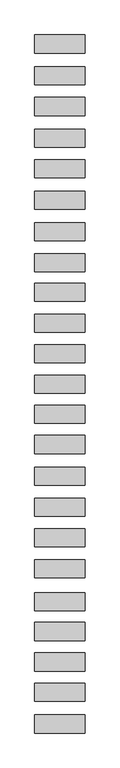
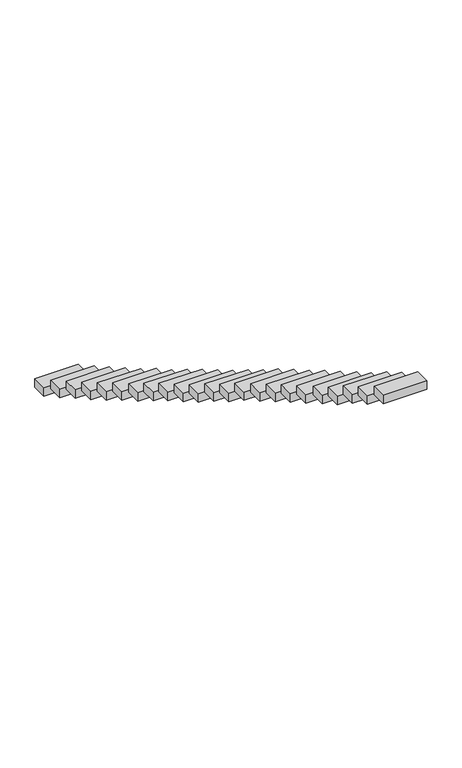
"""IFC4 building model written with IfcOpenShell, lengths in millimetres: proxy geometry."""

from ifc_helpers import new_model, si_unit, frame, origin, place, context, project, spatial, polyline, outline, extrude, source, transform, mapped, element, save


def generic_models_016d1303(model_context):
    return source(origin(), model_context, "Body", "SweptSolid", [
        extrude(outline(polyline([(-610.0, -5179.4882013), (-610.0, -4739.4882013), (610.0, -4739.4882013), (610.0, -5179.4882013), (-610.0, -5179.4882013)])), frame((0.0, 0.0, 3074.3704158), z_axis=(0.0, 0.0, 1.0), x_axis=(1.0, 0.0, 0.0)), (0.0, 0.0, 1.0), 250.0),
        extrude(outline(polyline([(-610.0, -4407.6629912), (-610.0, -3967.6629912), (610.0, -3967.6629912), (610.0, -4407.6629912), (-610.0, -4407.6629912)])), frame((0.0, 0.0, 2594.3382189), z_axis=(0.0, 0.0, 1.0), x_axis=(1.0, 0.0, 0.0)), (0.0, 0.0, 1.0), 250.0),
        extrude(outline(polyline([(-610.0, -3675.5374326), (-610.0, -3235.5374326), (610.0, -3235.5374326), (610.0, -3675.5374326), (-610.0, -3675.5374326)])), frame((0.0, 0.0, 2171.4407573), z_axis=(0.0, 0.0, 1.0), x_axis=(1.0, 0.0, 0.0)), (0.0, 0.0, 1.0), 250.0),
        extrude(outline(polyline([(-610.0, -2935.8469605), (-610.0, -2495.8469605), (610.0, -2495.8469605), (610.0, -2935.8469605), (-610.0, -2935.8469605)])), frame((0.0, 0.0, 1684.0307891), z_axis=(0.0, 0.0, 1.0), x_axis=(1.0, 0.0, 0.0)), (0.0, 0.0, 1.0), 250.0),
        extrude(outline(polyline([(-610.0, -2208.4778877), (-610.0, -1768.4778877), (610.0, -1768.4778877), (610.0, -2208.4778877), (-610.0, -2208.4778877)])), frame((0.0, 0.0, 1277.5939125), z_axis=(0.0, 0.0, 1.0), x_axis=(1.0, 0.0, 0.0)), (0.0, 0.0, 1.0), 250.0),
        extrude(outline(polyline([(-610.0, -1414.7614722), (-610.0, -974.7614722), (610.0, -974.7614722), (610.0, -1414.7614722), (-610.0, -1414.7614722)])), frame((0.0, 0.0, 808.5357548), z_axis=(0.0, 0.0, 1.0), x_axis=(1.0, 0.0, 0.0)), (0.0, 0.0, 1.0), 250.0),
        extrude(outline(polyline([(-610.0, -660.5011665), (-610.0, -220.5011665), (610.0, -220.5011665), (610.0, -660.5011665), (-610.0, -660.5011665)])), frame((0.0, 0.0, 378.503558), z_axis=(0.0, 0.0, 1.0), x_axis=(1.0, 0.0, 0.0)), (0.0, 0.0, 1.0), 250.0),
        extrude(outline(polyline([(-610.0, 81.8110443), (-610.0, 521.8110443), (610.0, 521.8110443), (610.0, 81.8110443), (-610.0, 81.8110443)])), frame((0.0, 0.0, -61.2851291), z_axis=(0.0, 0.0, 1.0), x_axis=(1.0, 0.0, 0.0)), (0.0, 0.0, 1.0), 250.0),
        extrude(outline(polyline([(-610.0, 833.4496022), (-610.0, 1273.4496022), (610.0, 1273.4496022), (610.0, 833.4496022), (-610.0, 833.4496022)])), frame((0.0, 0.0, -491.8043456), z_axis=(0.0, 0.0, 1.0), x_axis=(1.0, 0.0, 0.0)), (0.0, 0.0, 1.0), 250.0),
        extrude(outline(polyline([(-610.0, 1606.0053272), (-610.0, 2046.0053272), (610.0, 2046.0053272), (610.0, 1606.0053272), (-610.0, 1606.0053272)])), frame((0.0, 0.0, -943.727768), z_axis=(0.0, 0.0, 1.0), x_axis=(1.0, 0.0, 0.0)), (0.0, 0.0, 1.0), 250.0),
        extrude(outline(polyline([(-610.0, 2335.5091379), (-610.0, 2775.5091379), (610.0, 2775.5091379), (610.0, 2335.5091379), (-610.0, 2335.5091379)])), frame((0.0, 0.0, -1418.7599649), z_axis=(0.0, 0.0, 1.0), x_axis=(1.0, 0.0, 0.0)), (0.0, 0.0, 1.0), 250.0),
        extrude(outline(polyline([(-610.0, 3065.68662), (-610.0, 3505.68662), (610.0, 3505.68662), (610.0, 3065.68662), (-610.0, 3065.68662)])), frame((0.0, 0.0, -1857.0875932), z_axis=(0.0, 0.0, 1.0), x_axis=(1.0, 0.0, 0.0)), (0.0, 0.0, 1.0), 250.0),
        extrude(outline(polyline([(-610.0, 3811.0835853), (-610.0, 4251.0835853), (610.0, 4251.0835853), (610.0, 3811.0835853), (-610.0, 3811.0835853)])), frame((0.0, 0.0, -2329.5917616), z_axis=(0.0, 0.0, 1.0), x_axis=(1.0, 0.0, 0.0)), (0.0, 0.0, 1.0), 250.0),
        extrude(outline(polyline([(-610.0, 4544.7939573), (-610.0, 4984.7939573), (610.0, 4984.7939573), (610.0, 4544.7939573), (-610.0, 4544.7939573)])), frame((0.0, 0.0, -2758.0234759), z_axis=(0.0, 0.0, 1.0), x_axis=(1.0, 0.0, 0.0)), (0.0, 0.0, 1.0), 250.0),
        extrude(outline(polyline([(-610.0, 5299.5488312), (-610.0, 5739.5488312), (610.0, 5739.5488312), (610.0, 5299.5488312), (-610.0, 5299.5488312)])), frame((0.0, 0.0, -3194.43814), z_axis=(0.0, 0.0, 1.0), x_axis=(1.0, 0.0, 0.0)), (0.0, 0.0, 1.0), 250.0),
        extrude(outline(polyline([(-610.0, 6020.3122385), (-610.0, 6460.3122385), (610.0, 6460.3122385), (610.0, 6020.3122385), (-610.0, 6020.3122385)])), frame((0.0, 0.0, -3633.6596242), z_axis=(0.0, 0.0, 1.0), x_axis=(1.0, 0.0, 0.0)), (0.0, 0.0, 1.0), 250.0),
        extrude(outline(polyline([(-610.0, 6771.470535), (-610.0, 7211.470535), (610.0, 7211.470535), (610.0, 6771.470535), (-610.0, 6771.470535)])), frame((0.0, 0.0, -4102.0913386), z_axis=(0.0, 0.0, 1.0), x_axis=(1.0, 0.0, 0.0)), (0.0, 0.0, 1.0), 250.0),
        extrude(outline(polyline([(-610.0, 7535.0407598), (-610.0, 7975.0407598), (610.0, 7975.0407598), (610.0, 7535.0407598), (-610.0, 7535.0407598)])), frame((0.0, 0.0, -4530.5230529), z_axis=(0.0, 0.0, 1.0), x_axis=(1.0, 0.0, 0.0)), (0.0, 0.0, 1.0), 250.0),
        extrude(outline(polyline([(-610.0, 8297.9973589), (-610.0, 8737.9973589), (610.0, 8737.9973589), (610.0, 8297.9973589), (-610.0, 8297.9973589)])), frame((0.0, 0.0, -4998.736012), z_axis=(0.0, 0.0, 1.0), x_axis=(1.0, 0.0, 0.0)), (0.0, 0.0, 1.0), 250.0),
        extrude(outline(polyline([(-610.0, 9039.5505261), (-610.0, 9479.5505261), (610.0, 9479.5505261), (610.0, 9039.5505261), (-610.0, 9039.5505261)])), frame((0.0, 0.0, -5427.9574962), z_axis=(0.0, 0.0, 1.0), x_axis=(1.0, 0.0, 0.0)), (0.0, 0.0, 1.0), 250.0),
        extrude(outline(polyline([(-610.0, 9812.112236), (-610.0, 10252.112236), (610.0, 10252.112236), (610.0, 9812.112236), (-610.0, 9812.112236)])), frame((0.0, 0.0, -5859.1960306), z_axis=(0.0, 0.0, 1.0), x_axis=(1.0, 0.0, 0.0)), (0.0, 0.0, 1.0), 250.0),
        extrude(outline(polyline([(-610.0, 10555.6824792), (-610.0, 10995.6824792), (610.0, 10995.6824792), (610.0, 10555.6824792), (-610.0, 10555.6824792)])), frame((0.0, 0.0, -6290.82945), z_axis=(0.0, 0.0, 1.0), x_axis=(1.0, 0.0, 0.0)), (0.0, 0.0, 1.0), 250.0),
        extrude(outline(polyline([(-610.0, 11328.2441707), (-610.0, 11768.2441707), (610.0, 11768.2441707), (610.0, 11328.2441707), (-610.0, 11328.2441707)])), frame((0.0, 0.0, -6709.5829917), z_axis=(0.0, 0.0, 1.0), x_axis=(1.0, 0.0, 0.0)), (0.0, 0.0, 1.0), 250.0),
    ])


if __name__ == "__main__":
    model = new_model("IFC4")
    model_context = context("Model", 3, world=origin())
    ifc_project = project(units=[si_unit("LENGTHUNIT", "METRE", prefix="MILLI")], contexts=[model_context])
    site = spatial("IfcSite", under=ifc_project)
    building = spatial("IfcBuilding", under=site)
    placement = place(None, origin())
    generic_models_shape = generic_models_016d1303(model_context)
    element("IfcBuildingElementProxy", 1, Name="Generic Models", at=placement, inside=building, context=model_context, shape_type="MappedRepresentation", body=[
        mapped(generic_models_shape, transform((0.0, 0.0, 0.0), x_axis=(1.0, 0.0, 0.0), y_axis=(0.0, 1.0, 0.0), z_axis=(0.0, 0.0, 1.0))),
    ])
    save(model, "model.ifc")
